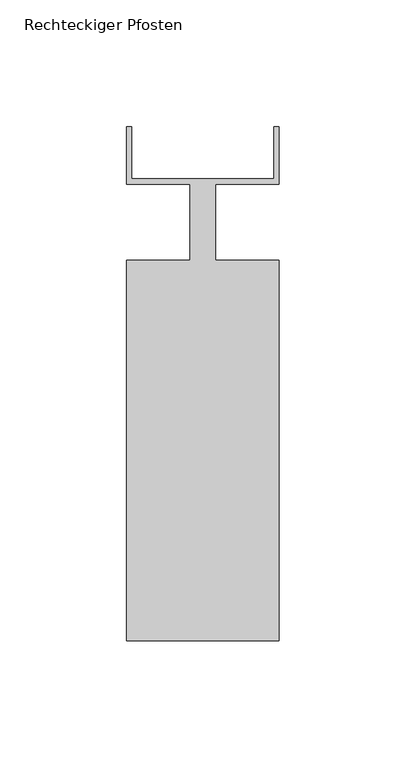
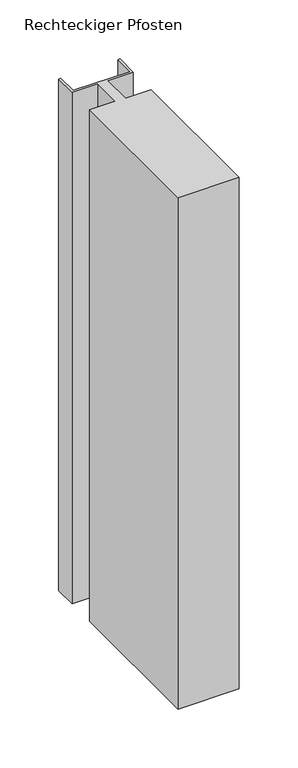
"""IFC4 building model written with IfcOpenShell, lengths in millimetres: member geometry, Rechteckiger Pfosten."""

from ifc_helpers import new_model, si_unit, frame, origin, place, context, project, spatial, polyline, outline, extrude, source, transform, mapped, element, save


def rechteckiger_pfosten_0e90b86f(model_context):
    return source(origin(), model_context, "Body", "SweptSolid", [
        extrude(outline(polyline([(28.0, 37.5), (30.0, 37.5), (30.0, 15.0), (5.0, 15.0), (5.0, -15.0), (30.0, -15.0), (30.0, -165.0), (-30.0, -165.0), (-30.0, -15.0), (-5.0, -15.0), (-5.0, 15.0), (-30.0, 15.0), (-30.0, 37.5), (-28.0, 37.5), (-28.0, 17.0), (28.0, 17.0), (28.0, 37.5)])), frame((0.0, 0.0, -530.0), z_axis=(0.0, 0.0, 1.0), x_axis=(1.0, 0.0, 0.0)), (0.0, 0.0, 1.0), 530.0),
    ])


if __name__ == "__main__":
    model = new_model("IFC4")
    model_context = context("Model", 3, world=origin())
    ifc_project = project(units=[si_unit("LENGTHUNIT", "METRE", prefix="MILLI")], contexts=[model_context])
    site = spatial("IfcSite", under=ifc_project)
    building = spatial("IfcBuilding", under=site)
    placement = place(None, origin())
    rechteckiger_pfosten_shape = rechteckiger_pfosten_0e90b86f(model_context)
    element("IfcMember", 1, ObjectType="Rechteckiger Pfosten", at=placement, inside=building, context=model_context, shape_type="MappedRepresentation", body=[
        mapped(rechteckiger_pfosten_shape, transform((0.0, 0.0, 0.0), x_axis=(1.0, 0.0, 0.0), y_axis=(0.0, 1.0, 0.0), z_axis=(0.0, 0.0, 1.0))),
    ])
    save(model, "model.ifc")
